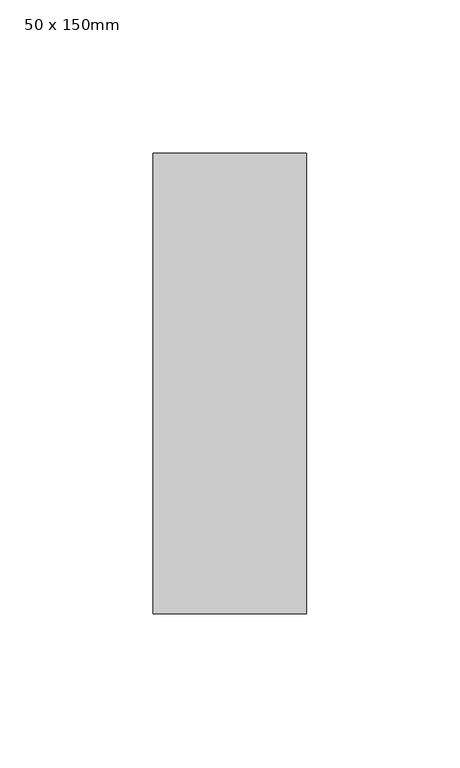
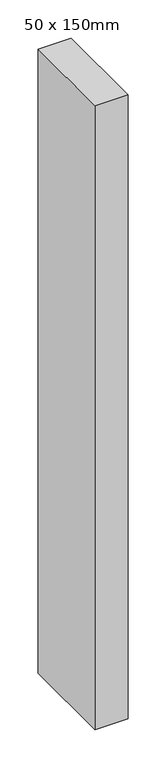
"""IFC4 building model written with IfcOpenShell, lengths in millimetres: member geometry, 50 x 150mm."""

from ifc_helpers import new_model, si_unit, frame, origin, place, context, project, spatial, polyline, outline, extrude, source, transform, mapped, element, save


def member_50_x_150mm_bbc1c4ea(model_context):
    return source(origin(), model_context, "Body", "SweptSolid", [
        extrude(outline(polyline([(25.0, 75.0), (25.0, -75.0), (-25.0, -75.0), (-25.0, 75.0), (25.0, 75.0)])), frame((0.0, 0.0, -1000.0), z_axis=(0.0, 0.0, 1.0), x_axis=(1.0, 0.0, 0.0)), (0.0, 0.0, 1.0), 1000.0),
    ])


if __name__ == "__main__":
    model = new_model("IFC4")
    model_context = context("Model", 3, world=origin())
    ifc_project = project(units=[si_unit("LENGTHUNIT", "METRE", prefix="MILLI")], contexts=[model_context])
    site = spatial("IfcSite", under=ifc_project)
    building = spatial("IfcBuilding", under=site)
    placement = place(None, origin())
    member_50_x_150mm_shape = member_50_x_150mm_bbc1c4ea(model_context)
    element("IfcMember", 1, ObjectType="50 x 150mm", at=placement, inside=building, context=model_context, shape_type="MappedRepresentation", body=[
        mapped(member_50_x_150mm_shape, transform((0.0, 0.0, 0.0), x_axis=(1.0, 0.0, 0.0), y_axis=(0.0, 1.0, 0.0), z_axis=(0.0, 0.0, 1.0))),
    ])
    save(model, "model.ifc")
